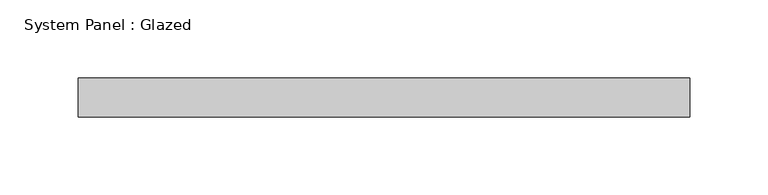
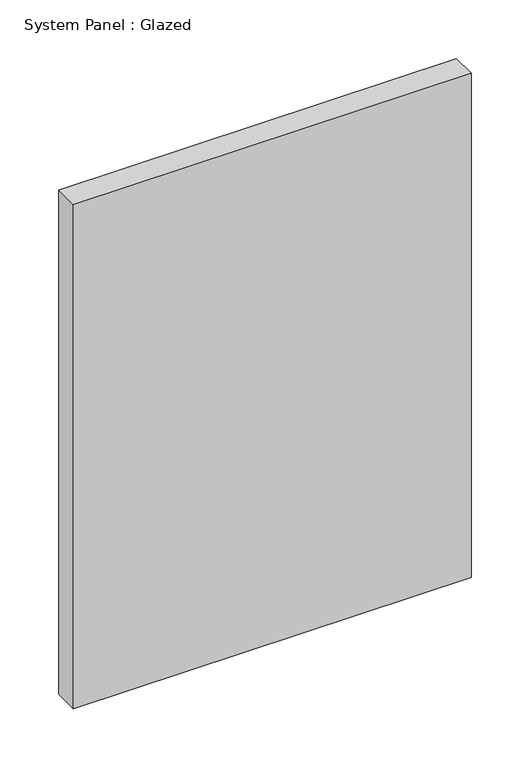
"""IFC4 building model written with IfcOpenShell, lengths in millimetres: plate geometry, System Panel : Glazed."""

import ifcopenshell
import ifcopenshell.guid

model = None  # the IFC model being written
_history = None  # IfcOwnerHistory: only IFC2X3 demands one
_inside = {}  # id of a spatial element -> (the spatial element, [elements in it])
_under = {}  # id of a project, library or spatial element -> (it, [spatial elements below it])
_declared = {}  # id of a project -> (the project, [libraries it declares])
_typed = {}  # id of a type object -> (the type object, [elements of that type])
_made_of = {}  # id of a material, layer set ... -> (it, [elements and type objects made of it])


def new_model(schema):
    """Start an empty IFC model of exactly this schema.

    Asked for "IFC4X3", IfcOpenShell would pick the latest addendum, in which some entities
    have other attributes; the version numbers below select the first issue.
    IFC2X3 requires an IfcOwnerHistory on every rooted entity: one is made here for all.
    """
    global model, _history
    if schema == "IFC4X3":
        model = ifcopenshell.file(schema_version=(4, 3, 0, 0))
    else:
        model = ifcopenshell.file(schema=schema)
    _inside.clear()
    _under.clear()
    _declared.clear()
    _typed.clear()
    _made_of.clear()
    _history = None
    if model.schema == "IFC2X3":
        org = make("IfcOrganization", Name="unknown")
        user = make(
            "IfcPersonAndOrganization",
            ThePerson=make("IfcPerson", FamilyName="unknown"),
            TheOrganization=org,
        )
        app = make(
            "IfcApplication",
            ApplicationDeveloper=org,
            Version="unknown",
            ApplicationFullName="unknown",
            ApplicationIdentifier="unknown",
        )
        _history = make(
            "IfcOwnerHistory",
            OwningUser=user,
            OwningApplication=app,
            ChangeAction="ADDED",
            CreationDate=0,
        )
    return model


def make(cls, **values):
    """One entity of the class cls with the attributes given. An attribute that is None is left unset."""
    return model.create_entity(
        cls, **{name: value for name, value in values.items() if value is not None}
    )


def rooted(cls, **values):
    """An entity with a GlobalId (a new one), such as an element, a storey or a relation."""
    return make(cls, GlobalId=ifcopenshell.guid.new(), OwnerHistory=_history, **values)


def si_unit(unit_type, name, prefix=None):
    """IfcSIUnit, for example si_unit("LENGTHUNIT", "METRE", prefix="MILLI")."""
    return make("IfcSIUnit", UnitType=unit_type, Prefix=prefix, Name=name)


def assignment(units):
    """IfcUnitAssignment: the units of a project."""
    return None if units is None else make("IfcUnitAssignment", Units=units)


def point(xyz):
    """IfcCartesianPoint."""
    return None if xyz is None else make("IfcCartesianPoint", Coordinates=xyz)


def direction(xyz):
    """IfcDirection."""
    return None if xyz is None else make("IfcDirection", DirectionRatios=xyz)


def frame(location, z_axis=None, x_axis=None):
    """IfcAxis2Placement3D, a coordinate frame: its origin and axes. An axis left out is left unset."""
    return make(
        "IfcAxis2Placement3D",
        Location=point(location),
        Axis=direction(z_axis),
        RefDirection=direction(x_axis),
    )


def origin():
    """The frame at (0, 0, 0) with its axes left unset."""
    return frame((0.0, 0.0, 0.0))


def origin_with_axes():
    """The frame at (0, 0, 0) with the z axis (0, 0, 1) and the x axis (1, 0, 0) written out."""
    return frame((0.0, 0.0, 0.0), z_axis=(0.0, 0.0, 1.0), x_axis=(1.0, 0.0, 0.0))


def place(relative_to, where):
    """IfcLocalPlacement: puts the frame where relative to a parent placement (None: the world)."""
    return make(
        "IfcLocalPlacement", PlacementRelTo=relative_to, RelativePlacement=where
    )


def context(
    kind, dimensions, precision=None, world=None, true_north=None, identifier=None
):
    """IfcGeometricRepresentationContext, for example the 3D "Model" context."""
    return make(
        "IfcGeometricRepresentationContext",
        ContextIdentifier=identifier,
        ContextType=kind,
        CoordinateSpaceDimension=dimensions,
        Precision=precision,
        WorldCoordinateSystem=world,
        TrueNorth=true_north,
    )


def project(units=None, contexts=None):
    """IfcProject with its units and contexts."""
    return rooted(
        "IfcProject",
        Name="project",
        RepresentationContexts=contexts,
        UnitsInContext=assignment(units),
    )


def spatial(cls, under=None, at=None, **own):
    """A site, building, storey or space (cls), placed at a placement, below another one or the project."""
    s = rooted(cls, ObjectPlacement=at, **own)
    if under is not None:
        _under.setdefault(under.id(), (under, []))[1].append(s)
    return s


def polyline(points):
    """IfcPolyline through the points."""
    return make("IfcPolyline", Points=[point(p) for p in points])


def outline(outer, holes=None, kind="AREA"):
    """IfcArbitraryClosedProfileDef: a profile drawn as a closed curve; with holes, ...WithVoids."""
    if holes is None:
        return make("IfcArbitraryClosedProfileDef", ProfileType=kind, OuterCurve=outer)
    return make(
        "IfcArbitraryProfileDefWithVoids",
        ProfileType=kind,
        OuterCurve=outer,
        InnerCurves=holes,
    )


def extrude(swept, where, along, depth):
    """IfcExtrudedAreaSolid: the profile swept, set in the frame where, extruded along a direction by depth."""
    return make(
        "IfcExtrudedAreaSolid",
        SweptArea=swept,
        Position=where,
        ExtrudedDirection=direction(along),
        Depth=depth,
    )


def shape(context_of_items, identifier, shape_type, items):
    """IfcShapeRepresentation: the items that make up one representation, for example the "Body"."""
    return make(
        "IfcShapeRepresentation",
        ContextOfItems=context_of_items,
        RepresentationIdentifier=identifier,
        RepresentationType=shape_type,
        Items=items,
    )


def source(mapping_origin, context_of_items, identifier, shape_type, items):
    """IfcRepresentationMap: a shape defined once, which mapped items show again and again."""
    return make(
        "IfcRepresentationMap",
        MappingOrigin=mapping_origin,
        MappedRepresentation=shape(context_of_items, identifier, shape_type, items),
    )


def transform(
    local_origin,
    x_axis=None,
    y_axis=None,
    z_axis=None,
    scale=None,
    scale2=None,
    scale3=None,
    uniform=True,
):
    """IfcCartesianTransformationOperator3D, or its non-uniform kind. x_axis, y_axis, z_axis: its Axis1, 2, 3."""
    if uniform:
        return make(
            "IfcCartesianTransformationOperator3D",
            Axis1=direction(x_axis),
            Axis2=direction(y_axis),
            LocalOrigin=point(local_origin),
            Scale=scale,
            Axis3=direction(z_axis),
        )
    return make(
        "IfcCartesianTransformationOperator3DnonUniform",
        Axis1=direction(x_axis),
        Axis2=direction(y_axis),
        LocalOrigin=point(local_origin),
        Scale=scale,
        Axis3=direction(z_axis),
        Scale2=scale2,
        Scale3=scale3,
    )


def mapped(mapping_source, mapping_target):
    """IfcMappedItem: shows the shape of a source again, moved by a transform."""
    return make(
        "IfcMappedItem", MappingSource=mapping_source, MappingTarget=mapping_target
    )


def made_of(thing, what):
    """Note that an element or type object is made of a material, layer set ...; save() writes the relation."""
    if what is not None:
        _made_of.setdefault(what.id(), (what, []))[1].append(thing)
    return thing


def element(
    cls,
    number,
    at=None,
    inside=None,
    cuts=None,
    type_object=None,
    material=None,
    context=None,
    identifier="Body",
    shape_type=None,
    held_by="IfcProductDefinitionShape",
    body=None,
    shapes=None,
    **own,
):
    """One element of the class cls, such as IfcWall. Its Tag is "e" and its number.

    at: its placement. inside: the storey or other place that contains it. cuts: it is an
    opening in that element (IfcRelVoidsElement). A single representation is given by context,
    identifier, shape_type and body (its items); several are given by shapes. held_by: the class
    of the entity that holds the representations. save() writes the other relations.
    """
    e = rooted(cls, Tag="e%d" % number, ObjectPlacement=at, **own)
    if body is not None:
        shapes = [shape(context, identifier, shape_type, body)]
    if shapes is not None:
        e.Representation = make(held_by, Representations=shapes)
    if inside is not None:
        _inside.setdefault(inside.id(), (inside, []))[1].append(e)
    if cuts is not None:
        rooted(
            "IfcRelVoidsElement", RelatingBuildingElement=cuts, RelatedOpeningElement=e
        )
    if type_object is not None:
        _typed.setdefault(type_object.id(), (type_object, []))[1].append(e)
    return made_of(e, material)


def aggregate(whole, parts):
    """IfcRelAggregates: a whole, such as a stair, and the parts it consists of."""
    return rooted("IfcRelAggregates", RelatingObject=whole, RelatedObjects=parts)


def save(model, path):
    """Write the relations noted so far, then the file.

    IfcRelAggregates (storeys below a building ...), IfcRelContainedInSpatialStructure (elements
    in a storey), IfcRelDefinesByType, IfcRelAssociatesMaterial and IfcRelDeclares: one each for
    every whole, place, type object, material and project.
    """
    for whole, parts in _under.values():
        aggregate(whole, parts)
    for where, things in _inside.values():
        rooted(
            "IfcRelContainedInSpatialStructure",
            RelatedElements=things,
            RelatingStructure=where,
        )
    for kind, things in _typed.values():
        rooted("IfcRelDefinesByType", RelatedObjects=things, RelatingType=kind)
    for what, things in _made_of.values():
        rooted("IfcRelAssociatesMaterial", RelatedObjects=things, RelatingMaterial=what)
    for by, libraries in _declared.values():
        rooted("IfcRelDeclares", RelatingContext=by, RelatedDefinitions=libraries)
    model.write(path)


def system_panel_glazed_45f306b2(model_context):
    return source(origin(), model_context, "Body", "SweptSolid", [
        extrude(outline(polyline([(195.761259, -49.5), (-195.761259, -49.5), (-195.761259, -24.5), (195.761259, -24.5), (195.761259, -49.5)])), origin_with_axes(), (0.0, 0.0, 1.0), 525.0),
    ])


if __name__ == "__main__":
    model = new_model("IFC4")
    model_context = context("Model", 3, world=origin())
    ifc_project = project(units=[si_unit("LENGTHUNIT", "METRE", prefix="MILLI")], contexts=[model_context])
    site = spatial("IfcSite", under=ifc_project)
    building = spatial("IfcBuilding", under=site)
    placement = place(None, origin())
    system_panel_glazed_shape = system_panel_glazed_45f306b2(model_context)
    element("IfcPlate", 1, ObjectType="System Panel : Glazed", at=placement, inside=building, context=model_context, shape_type="MappedRepresentation", body=[
        mapped(system_panel_glazed_shape, transform((0.0, 0.0, 0.0), x_axis=(1.0, 0.0, 0.0), y_axis=(0.0, 1.0, 0.0), z_axis=(0.0, 0.0, 1.0))),
    ])
    save(model, "model.ifc")
